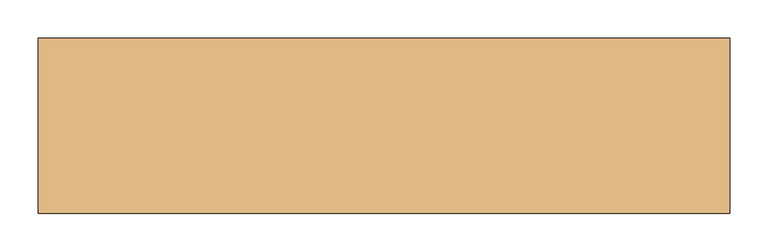
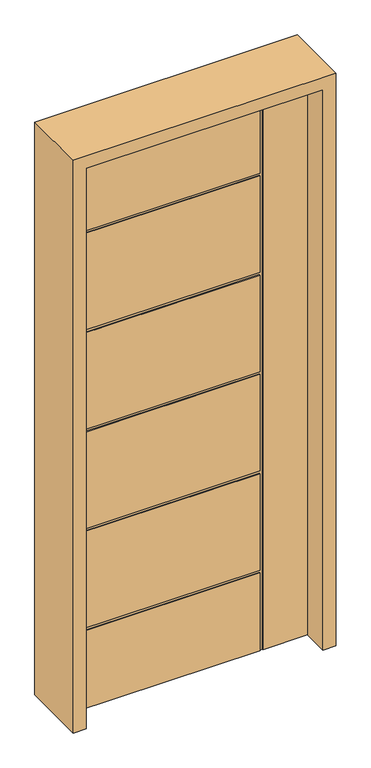
"""IFC4 building model written with IfcOpenShell, lengths in millimetres: door geometry."""

import ifcopenshell
import ifcopenshell.guid

model = None  # the IFC model being written
_history = None  # IfcOwnerHistory: only IFC2X3 demands one
_inside = {}  # id of a spatial element -> (the spatial element, [elements in it])
_under = {}  # id of a project, library or spatial element -> (it, [spatial elements below it])
_declared = {}  # id of a project -> (the project, [libraries it declares])
_typed = {}  # id of a type object -> (the type object, [elements of that type])
_made_of = {}  # id of a material, layer set ... -> (it, [elements and type objects made of it])


def new_model(schema):
    """Start an empty IFC model of exactly this schema.

    Asked for "IFC4X3", IfcOpenShell would pick the latest addendum, in which some entities
    have other attributes; the version numbers below select the first issue.
    IFC2X3 requires an IfcOwnerHistory on every rooted entity: one is made here for all.
    """
    global model, _history
    if schema == "IFC4X3":
        model = ifcopenshell.file(schema_version=(4, 3, 0, 0))
    else:
        model = ifcopenshell.file(schema=schema)
    _inside.clear()
    _under.clear()
    _declared.clear()
    _typed.clear()
    _made_of.clear()
    _history = None
    if model.schema == "IFC2X3":
        org = make("IfcOrganization", Name="unknown")
        user = make(
            "IfcPersonAndOrganization",
            ThePerson=make("IfcPerson", FamilyName="unknown"),
            TheOrganization=org,
        )
        app = make(
            "IfcApplication",
            ApplicationDeveloper=org,
            Version="unknown",
            ApplicationFullName="unknown",
            ApplicationIdentifier="unknown",
        )
        _history = make(
            "IfcOwnerHistory",
            OwningUser=user,
            OwningApplication=app,
            ChangeAction="ADDED",
            CreationDate=0,
        )
    return model


def make(cls, **values):
    """One entity of the class cls with the attributes given. An attribute that is None is left unset."""
    return model.create_entity(
        cls, **{name: value for name, value in values.items() if value is not None}
    )


def rooted(cls, **values):
    """An entity with a GlobalId (a new one), such as an element, a storey or a relation."""
    return make(cls, GlobalId=ifcopenshell.guid.new(), OwnerHistory=_history, **values)


def si_unit(unit_type, name, prefix=None):
    """IfcSIUnit, for example si_unit("LENGTHUNIT", "METRE", prefix="MILLI")."""
    return make("IfcSIUnit", UnitType=unit_type, Prefix=prefix, Name=name)


def assignment(units):
    """IfcUnitAssignment: the units of a project."""
    return None if units is None else make("IfcUnitAssignment", Units=units)


def point(xyz):
    """IfcCartesianPoint."""
    return None if xyz is None else make("IfcCartesianPoint", Coordinates=xyz)


def direction(xyz):
    """IfcDirection."""
    return None if xyz is None else make("IfcDirection", DirectionRatios=xyz)


def frame(location, z_axis=None, x_axis=None):
    """IfcAxis2Placement3D, a coordinate frame: its origin and axes. An axis left out is left unset."""
    return make(
        "IfcAxis2Placement3D",
        Location=point(location),
        Axis=direction(z_axis),
        RefDirection=direction(x_axis),
    )


def origin():
    """The frame at (0, 0, 0) with its axes left unset."""
    return frame((0.0, 0.0, 0.0))


def place(relative_to, where):
    """IfcLocalPlacement: puts the frame where relative to a parent placement (None: the world)."""
    return make(
        "IfcLocalPlacement", PlacementRelTo=relative_to, RelativePlacement=where
    )


def context(
    kind, dimensions, precision=None, world=None, true_north=None, identifier=None
):
    """IfcGeometricRepresentationContext, for example the 3D "Model" context."""
    return make(
        "IfcGeometricRepresentationContext",
        ContextIdentifier=identifier,
        ContextType=kind,
        CoordinateSpaceDimension=dimensions,
        Precision=precision,
        WorldCoordinateSystem=world,
        TrueNorth=true_north,
    )


def project(units=None, contexts=None):
    """IfcProject with its units and contexts."""
    return rooted(
        "IfcProject",
        Name="project",
        RepresentationContexts=contexts,
        UnitsInContext=assignment(units),
    )


def spatial(cls, under=None, at=None, **own):
    """A site, building, storey or space (cls), placed at a placement, below another one or the project."""
    s = rooted(cls, ObjectPlacement=at, **own)
    if under is not None:
        _under.setdefault(under.id(), (under, []))[1].append(s)
    return s


def polyline(points):
    """IfcPolyline through the points."""
    return make("IfcPolyline", Points=[point(p) for p in points])


def outline(outer, holes=None, kind="AREA"):
    """IfcArbitraryClosedProfileDef: a profile drawn as a closed curve; with holes, ...WithVoids."""
    if holes is None:
        return make("IfcArbitraryClosedProfileDef", ProfileType=kind, OuterCurve=outer)
    return make(
        "IfcArbitraryProfileDefWithVoids",
        ProfileType=kind,
        OuterCurve=outer,
        InnerCurves=holes,
    )


def extrude(swept, where, along, depth):
    """IfcExtrudedAreaSolid: the profile swept, set in the frame where, extruded along a direction by depth."""
    return make(
        "IfcExtrudedAreaSolid",
        SweptArea=swept,
        Position=where,
        ExtrudedDirection=direction(along),
        Depth=depth,
    )


def faces_of(points, faces, orient=None, outer=None):
    """IfcFace entities. A face is a list of loops; a loop is a list of indices into points, from 0.

    orient and outer hold one flag for each loop. By default every Orientation is true, the
    first loop of a face is its IfcFaceOuterBound and the others are IfcFaceBound.
    """
    made = []
    for i, loops in enumerate(faces):
        bounds = []
        for j, loop in enumerate(loops):
            is_outer = j == 0 if outer is None else outer[i][j]
            bounds.append(
                make(
                    "IfcFaceOuterBound" if is_outer else "IfcFaceBound",
                    Bound=make("IfcPolyLoop", Polygon=[points[k] for k in loop]),
                    Orientation=True if orient is None else orient[i][j],
                )
            )
        made.append(make("IfcFace", Bounds=bounds))
    return made


def faceted_brep(points, faces, orient=None, outer=None, voids=None):
    """IfcFacetedBrep: a solid bounded by flat faces; with voids (closed shells), ...WithVoids."""
    shared = [point(p) for p in points]
    hull = make("IfcClosedShell", CfsFaces=faces_of(shared, faces, orient, outer))
    if voids is None:
        return make("IfcFacetedBrep", Outer=hull)
    return make(
        "IfcFacetedBrepWithVoids",
        Outer=hull,
        Voids=[
            make(cls, CfsFaces=faces_of(shared, fs, o, b)) for cls, fs, o, b in voids
        ],
    )


def shape(context_of_items, identifier, shape_type, items):
    """IfcShapeRepresentation: the items that make up one representation, for example the "Body"."""
    return make(
        "IfcShapeRepresentation",
        ContextOfItems=context_of_items,
        RepresentationIdentifier=identifier,
        RepresentationType=shape_type,
        Items=items,
    )


def source(mapping_origin, context_of_items, identifier, shape_type, items):
    """IfcRepresentationMap: a shape defined once, which mapped items show again and again."""
    return make(
        "IfcRepresentationMap",
        MappingOrigin=mapping_origin,
        MappedRepresentation=shape(context_of_items, identifier, shape_type, items),
    )


def transform(
    local_origin,
    x_axis=None,
    y_axis=None,
    z_axis=None,
    scale=None,
    scale2=None,
    scale3=None,
    uniform=True,
):
    """IfcCartesianTransformationOperator3D, or its non-uniform kind. x_axis, y_axis, z_axis: its Axis1, 2, 3."""
    if uniform:
        return make(
            "IfcCartesianTransformationOperator3D",
            Axis1=direction(x_axis),
            Axis2=direction(y_axis),
            LocalOrigin=point(local_origin),
            Scale=scale,
            Axis3=direction(z_axis),
        )
    return make(
        "IfcCartesianTransformationOperator3DnonUniform",
        Axis1=direction(x_axis),
        Axis2=direction(y_axis),
        LocalOrigin=point(local_origin),
        Scale=scale,
        Axis3=direction(z_axis),
        Scale2=scale2,
        Scale3=scale3,
    )


def mapped(mapping_source, mapping_target):
    """IfcMappedItem: shows the shape of a source again, moved by a transform."""
    return make(
        "IfcMappedItem", MappingSource=mapping_source, MappingTarget=mapping_target
    )


def made_of(thing, what):
    """Note that an element or type object is made of a material, layer set ...; save() writes the relation."""
    if what is not None:
        _made_of.setdefault(what.id(), (what, []))[1].append(thing)
    return thing


def element(
    cls,
    number,
    at=None,
    inside=None,
    cuts=None,
    type_object=None,
    material=None,
    context=None,
    identifier="Body",
    shape_type=None,
    held_by="IfcProductDefinitionShape",
    body=None,
    shapes=None,
    **own,
):
    """One element of the class cls, such as IfcWall. Its Tag is "e" and its number.

    at: its placement. inside: the storey or other place that contains it. cuts: it is an
    opening in that element (IfcRelVoidsElement). A single representation is given by context,
    identifier, shape_type and body (its items); several are given by shapes. held_by: the class
    of the entity that holds the representations. save() writes the other relations.
    """
    e = rooted(cls, Tag="e%d" % number, ObjectPlacement=at, **own)
    if body is not None:
        shapes = [shape(context, identifier, shape_type, body)]
    if shapes is not None:
        e.Representation = make(held_by, Representations=shapes)
    if inside is not None:
        _inside.setdefault(inside.id(), (inside, []))[1].append(e)
    if cuts is not None:
        rooted(
            "IfcRelVoidsElement", RelatingBuildingElement=cuts, RelatedOpeningElement=e
        )
    if type_object is not None:
        _typed.setdefault(type_object.id(), (type_object, []))[1].append(e)
    return made_of(e, material)


def aggregate(whole, parts):
    """IfcRelAggregates: a whole, such as a stair, and the parts it consists of."""
    return rooted("IfcRelAggregates", RelatingObject=whole, RelatedObjects=parts)


def save(model, path):
    """Write the relations noted so far, then the file.

    IfcRelAggregates (storeys below a building ...), IfcRelContainedInSpatialStructure (elements
    in a storey), IfcRelDefinesByType, IfcRelAssociatesMaterial and IfcRelDeclares: one each for
    every whole, place, type object, material and project.
    """
    for whole, parts in _under.values():
        aggregate(whole, parts)
    for where, things in _inside.values():
        rooted(
            "IfcRelContainedInSpatialStructure",
            RelatedElements=things,
            RelatingStructure=where,
        )
    for kind, things in _typed.values():
        rooted("IfcRelDefinesByType", RelatedObjects=things, RelatingType=kind)
    for what, things in _made_of.values():
        rooted("IfcRelAssociatesMaterial", RelatedObjects=things, RelatingMaterial=what)
    for by, libraries in _declared.values():
        rooted("IfcRelDeclares", RelatingContext=by, RelatedDefinitions=libraries)
    model.write(path)


def door_b9af5312(model_context):
    return source(origin(), model_context, "Body", "SolidModel", [
        faceted_brep([(-406.4, -22.225, 0.0), (-406.4, 22.225, 0.0), (242.824, 22.225, 0.0), (242.824, 18.923, 0.0), (252.73, 18.923, 0.0), (252.73, 22.225, 0.0), (406.4, 22.225, 0.0), (406.4, -22.225, 0.0), (252.73, -22.225, 0.0), (252.73, -18.923, 0.0), (242.824, -18.923, 0.0), (242.824, -22.225, 0.0), (-406.4, -22.225, 2032.0), (-406.4, 22.225, 2032.0), (-406.4, 22.225, 1731.518), (-406.4, 18.923, 1731.518), (-406.4, 18.923, 1721.612), (-406.4, 22.225, 1721.612), (-406.4, 22.225, 1371.6), (-406.4, 18.923, 1371.6), (-406.4, 18.923, 1361.694), (-406.4, 22.225, 1361.694), (-406.4, 22.225, 1011.682), (-406.4, 18.923, 1011.682), (-406.4, 18.923, 1001.776), (-406.4, 22.225, 1001.776), (-406.4, 22.225, 651.764), (-406.4, 18.923, 651.764), (-406.4, 18.923, 641.858), (-406.4, 22.225, 641.858), (-406.4, 22.225, 291.846), (-406.4, 18.923, 291.846), (-406.4, 18.923, 281.94), (-406.4, 22.225, 281.94), (-406.4, -22.225, 281.94), (-406.4, -18.923, 281.94), (-406.4, -18.923, 291.846), (-406.4, -22.225, 291.846), (-406.4, -22.225, 641.858), (-406.4, -18.923, 641.858), (-406.4, -18.923, 651.764), (-406.4, -22.225, 651.764), (-406.4, -22.225, 1001.776), (-406.4, -18.923, 1001.776), (-406.4, -18.923, 1011.682), (-406.4, -22.225, 1011.682), (-406.4, -22.225, 1361.694), (-406.4, -18.923, 1361.694), (-406.4, -18.923, 1371.6), (-406.4, -22.225, 1371.6), (-406.4, -22.225, 1721.612), (-406.4, -18.923, 1721.612), (-406.4, -18.923, 1731.518), (-406.4, -22.225, 1731.518), (242.824, 22.225, 281.94), (242.824, 22.225, 1721.612), (242.824, 22.225, 1371.6), (242.824, 22.225, 1361.694), (242.824, 22.225, 1011.682), (242.824, 22.225, 1001.776), (242.824, 22.225, 651.764), (242.824, 22.225, 641.858), (242.824, 22.225, 291.846), (406.4, 22.225, 2032.0), (252.73, 22.225, 2032.0), (242.824, 22.225, 2032.0), (242.824, 22.225, 1731.518), (242.824, 18.923, 281.94), (242.824, 18.923, 291.846), (242.824, 18.923, 641.858), (242.824, 18.923, 651.764), (242.824, 18.923, 1001.776), (242.824, 18.923, 1011.682), (242.824, 18.923, 1361.694), (242.824, 18.923, 1371.6), (242.824, 18.923, 1721.612), (242.824, 18.923, 1731.518), (242.824, 18.923, 2032.0), (252.73, 18.923, 2032.0), (406.4, -22.225, 2032.0), (242.824, -22.225, 281.94), (252.73, -22.225, 2032.0), (242.824, -22.225, 291.846), (242.824, -22.225, 641.858), (242.824, -22.225, 651.764), (242.824, -22.225, 1001.776), (242.824, -22.225, 1011.682), (242.824, -22.225, 1361.694), (242.824, -22.225, 1371.6), (242.824, -22.225, 1721.612), (242.824, -22.225, 2032.0), (242.824, -22.225, 1731.518), (242.824, -18.923, 2032.0), (252.73, -18.923, 2032.0), (242.824, -18.923, 291.846), (242.824, -18.923, 281.94), (242.824, -18.923, 1731.518), (242.824, -18.923, 1721.612), (242.824, -18.923, 1371.6), (242.824, -18.923, 1361.694), (242.824, -18.923, 1011.682), (242.824, -18.923, 1001.776), (242.824, -18.923, 651.764), (242.824, -18.923, 641.858)], [[[0, 1, 2, 3, 4, 5, 6, 7, 8, 9, 10, 11]], [[12, 13, 14, 15, 16, 17, 18, 19, 20, 21, 22, 23, 24, 25, 26, 27, 28, 29, 30, 31, 32, 33, 1, 0, 34, 35, 36, 37, 38, 39, 40, 41, 42, 43, 44, 45, 46, 47, 48, 49, 50, 51, 52, 53]], [[2, 1, 33, 54]], [[18, 17, 55, 56]], [[22, 21, 57, 58]], [[26, 25, 59, 60]], [[30, 29, 61, 62]], [[63, 6, 5, 64]], [[13, 65, 66, 14]], [[67, 3, 2, 54]], [[68, 69, 28, 27, 70, 71, 24, 23, 72, 73, 20, 19, 74, 75, 16, 15, 76, 77, 78, 4, 3, 67, 32, 31]], [[63, 79, 7, 6]], [[0, 11, 80, 34]], [[7, 79, 81, 8]], [[38, 37, 82, 83]], [[42, 41, 84, 85]], [[46, 45, 86, 87]], [[50, 49, 88, 89]], [[90, 12, 53, 91]], [[32, 67, 54, 33]], [[28, 69, 61, 29]], [[69, 68, 62, 61]], [[68, 31, 30, 62]], [[24, 71, 59, 25]], [[71, 70, 60, 59]], [[70, 27, 26, 60]], [[73, 72, 58, 57]], [[72, 23, 22, 58]], [[79, 63, 64, 78, 77, 65, 13, 12, 90, 92, 93, 81]], [[20, 73, 57, 21]], [[74, 19, 18, 56]], [[75, 74, 56, 55]], [[16, 75, 55, 17]], [[76, 15, 14, 66]], [[77, 76, 66, 65]], [[4, 78, 64, 5]], [[93, 9, 8, 81]], [[94, 36, 35, 95, 10, 9, 93, 92, 96, 52, 51, 97, 98, 48, 47, 99, 100, 44, 43, 101, 102, 40, 39, 103]], [[10, 95, 80, 11]], [[95, 35, 34, 80]], [[36, 94, 82, 37]], [[94, 103, 83, 82]], [[103, 39, 38, 83]], [[40, 102, 84, 41]], [[102, 101, 85, 84]], [[101, 43, 42, 85]], [[44, 100, 86, 45]], [[100, 99, 87, 86]], [[99, 47, 46, 87]], [[48, 98, 88, 49]], [[98, 97, 89, 88]], [[97, 51, 50, 89]], [[52, 96, 91, 53]], [[96, 92, 90, 91]]]),
        extrude(outline(polyline([(0.0, -450.85), (0.0, -406.4), (2032.0, -406.4), (2032.0, 406.4), (0.0, 406.4), (0.0, 450.85), (2076.45, 450.85), (2076.45, -450.85), (0.0, -450.85)])), frame((0.0, -114.3, 0.0), z_axis=(0.0, 1.0, 0.0), x_axis=(0.0, 0.0, 1.0)), (0.0, 0.0, 1.0), 228.6),
    ])


if __name__ == "__main__":
    model = new_model("IFC4")
    model_context = context("Model", 3, world=origin())
    ifc_project = project(units=[si_unit("LENGTHUNIT", "METRE", prefix="MILLI")], contexts=[model_context])
    site = spatial("IfcSite", under=ifc_project)
    building = spatial("IfcBuilding", under=site)
    placement = place(None, origin())
    door_shape = door_b9af5312(model_context)
    element("IfcDoor", 1, at=placement, inside=building, context=model_context, shape_type="MappedRepresentation", body=[
        mapped(door_shape, transform((0.0, 0.0, 0.0), x_axis=(1.0, 0.0, 0.0), y_axis=(0.0, 1.0, 0.0), z_axis=(0.0, 0.0, 1.0))),
    ])
    save(model, "model.ifc")
